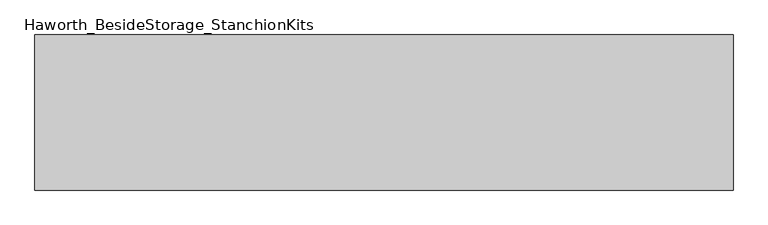
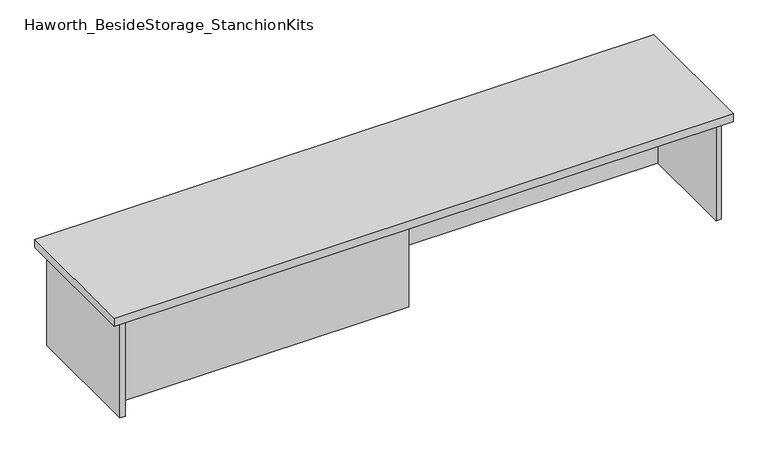
"""IFC4 building model written with IfcOpenShell, lengths in millimetres: furniture geometry, Haworth_BesideStorage_StanchionKits."""

from ifc_helpers import new_model, si_unit, frame, origin, place, context, project, spatial, polyline, outline, extrude, source, transform, mapped, element, save


def haworth_besidestorage_stanchionkits_d5692a61(model_context):
    return source(origin(), model_context, "Body", "SweptSolid", [
        extrude(outline(polyline([(1076.325, 0.0), (1076.325, -406.4), (-752.475, -406.4), (-752.475, 0.0), (1076.325, 0.0)])), frame((0.0, 0.0, 736.6), z_axis=(0.0, 0.0, 1.0), x_axis=(1.0, 0.0, 0.0)), (0.0, 0.0, 1.0), 25.4),
        extrude(outline(polyline([(161.925, -76.2), (1035.05, -76.2), (1035.05, -92.075), (161.925, -92.075), (161.925, -76.2)])), frame((0.0, 0.0, 431.8), z_axis=(0.0, 0.0, 1.0), x_axis=(1.0, 0.0, 0.0)), (0.0, 0.0, 1.0), 304.8),
        extrude(outline(polyline([(161.925, -314.325), (161.925, -330.2), (-711.2, -330.2), (-711.2, -314.325), (161.925, -314.325)])), frame((0.0, 0.0, 431.8), z_axis=(0.0, 0.0, 1.0), x_axis=(1.0, 0.0, 0.0)), (0.0, 0.0, 1.0), 304.8),
        extrude(outline(polyline([(1050.925, -390.525), (1035.05, -390.525), (1035.05, -15.875), (1050.925, -15.875), (1050.925, -390.525)])), frame((0.0, 0.0, 431.8), z_axis=(0.0, 0.0, 1.0), x_axis=(1.0, 0.0, 0.0)), (0.0, 0.0, 1.0), 304.8),
        extrude(outline(polyline([(-711.2, -390.525), (-727.075, -390.525), (-727.075, -15.875), (-711.2, -15.875), (-711.2, -390.525)])), frame((0.0, 0.0, 431.8), z_axis=(0.0, 0.0, 1.0), x_axis=(1.0, 0.0, 0.0)), (0.0, 0.0, 1.0), 304.8),
    ])


if __name__ == "__main__":
    model = new_model("IFC4")
    model_context = context("Model", 3, world=origin())
    ifc_project = project(units=[si_unit("LENGTHUNIT", "METRE", prefix="MILLI")], contexts=[model_context])
    site = spatial("IfcSite", under=ifc_project)
    building = spatial("IfcBuilding", under=site)
    placement = place(None, origin())
    haworth_besidestorage_stanchionkits_shape = haworth_besidestorage_stanchionkits_d5692a61(model_context)
    element("IfcFurniture", 1, ObjectType="Haworth_BesideStorage_StanchionKits", at=placement, inside=building, context=model_context, shape_type="MappedRepresentation", body=[
        mapped(haworth_besidestorage_stanchionkits_shape, transform((0.0, 0.0, 0.0), x_axis=(1.0, 0.0, 0.0), y_axis=(0.0, 1.0, 0.0), z_axis=(0.0, 0.0, 1.0))),
    ])
    save(model, "model.ifc")
